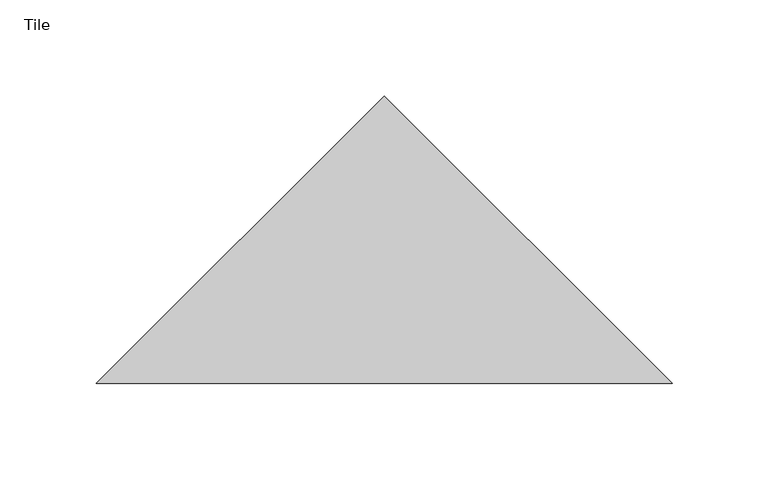
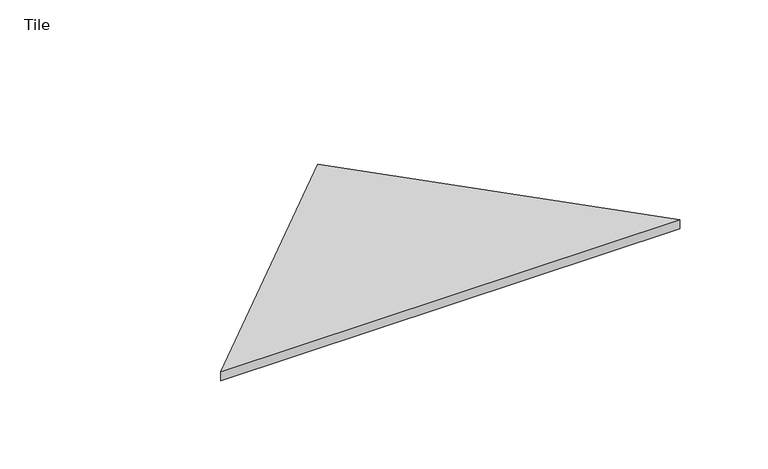
"""IFC4 building model written with IfcOpenShell, lengths in millimetres: proxy geometry, Tile."""

from ifc_helpers import new_model, si_unit, origin, origin_with_axes, place, context, project, spatial, polyline, outline, extrude, source, transform, mapped, element, save


def tile_8bc390ec(model_context):
    return source(origin(), model_context, "Body", "SweptSolid", [
        extrude(outline(polyline([(0.0, 0.0), (150.0, -150.0), (-150.0, -150.0), (0.0, 0.0)])), origin_with_axes(), (0.0, 0.0, 1.0), 6.0),
    ])


if __name__ == "__main__":
    model = new_model("IFC4")
    model_context = context("Model", 3, world=origin())
    ifc_project = project(units=[si_unit("LENGTHUNIT", "METRE", prefix="MILLI")], contexts=[model_context])
    site = spatial("IfcSite", under=ifc_project)
    building = spatial("IfcBuilding", under=site)
    placement = place(None, origin())
    tile_shape = tile_8bc390ec(model_context)
    element("IfcBuildingElementProxy", 1, Name="Tile", ObjectType="Tile", at=placement, inside=building, context=model_context, shape_type="MappedRepresentation", body=[
        mapped(tile_shape, transform((0.0, 0.0, 0.0), x_axis=(1.0, 0.0, 0.0), y_axis=(0.0, 1.0, 0.0), z_axis=(0.0, 0.0, 1.0))),
    ])
    save(model, "model.ifc")
